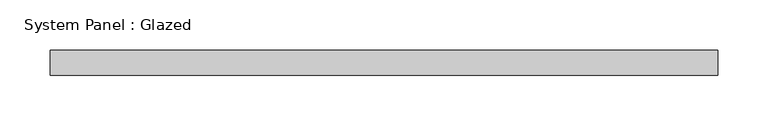
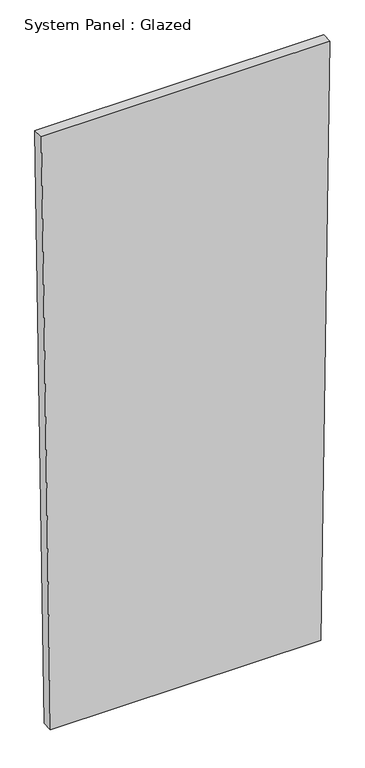
"""IFC4 building model written with IfcOpenShell, lengths in millimetres: plate geometry, System Panel : Glazed."""

from ifc_helpers import new_model, si_unit, frame, origin, place, context, project, spatial, polyline, outline, extrude, source, transform, mapped, element, save


def system_panel_glazed_9b0117c6(model_context):
    return source(origin(), model_context, "Body", "SweptSolid", [
        extrude(outline(polyline([(0.0, -310.7526481), (0.0, 310.752634), (1449.8385377, 331.9886104), (1449.838528, -331.9886104), (0.0, -310.7526481)])), frame((0.0, -49.5, 0.0), z_axis=(0.0, 1.0, 0.0), x_axis=(0.0, 0.0, 1.0)), (0.0, 0.0, 1.0), 25.0),
    ])


if __name__ == "__main__":
    model = new_model("IFC4")
    model_context = context("Model", 3, world=origin())
    ifc_project = project(units=[si_unit("LENGTHUNIT", "METRE", prefix="MILLI")], contexts=[model_context])
    site = spatial("IfcSite", under=ifc_project)
    building = spatial("IfcBuilding", under=site)
    placement = place(None, origin())
    system_panel_glazed_shape = system_panel_glazed_9b0117c6(model_context)
    element("IfcPlate", 1, ObjectType="System Panel : Glazed", at=placement, inside=building, context=model_context, shape_type="MappedRepresentation", body=[
        mapped(system_panel_glazed_shape, transform((0.0, 0.0, 0.0), x_axis=(1.0, 0.0, 0.0), y_axis=(0.0, 1.0, 0.0), z_axis=(0.0, 0.0, 1.0))),
    ])
    save(model, "model.ifc")
